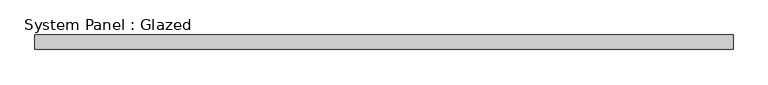
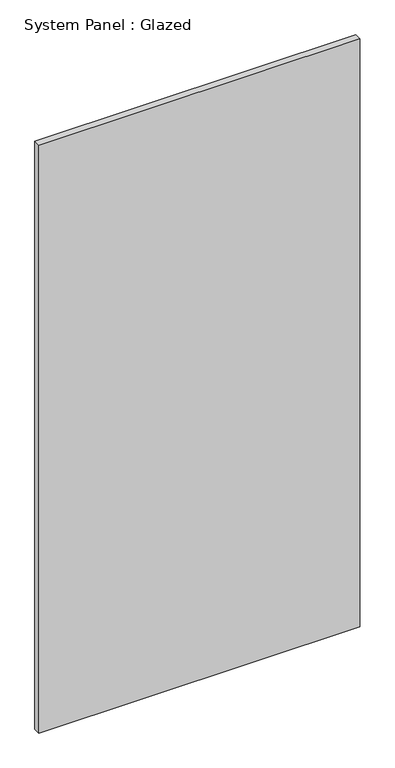
"""IFC4 building model written with IfcOpenShell, lengths in millimetres: plate geometry, System Panel : Glazed."""

from ifc_helpers import new_model, si_unit, origin, origin_with_axes, place, context, project, spatial, polyline, outline, extrude, source, transform, mapped, element, save


def system_panel_glazed_33c6e5eb(model_context):
    return source(origin(), model_context, "Body", "SweptSolid", [
        extrude(outline(polyline([(599.9999999, 24.5), (-599.9999999, 24.5), (-599.9999999, 49.5), (599.9999999, 49.5), (599.9999999, 24.5)])), origin_with_axes(), (0.0, 0.0, 1.0), 2325.0),
    ])


if __name__ == "__main__":
    model = new_model("IFC4")
    model_context = context("Model", 3, world=origin())
    ifc_project = project(units=[si_unit("LENGTHUNIT", "METRE", prefix="MILLI")], contexts=[model_context])
    site = spatial("IfcSite", under=ifc_project)
    building = spatial("IfcBuilding", under=site)
    placement = place(None, origin())
    system_panel_glazed_shape = system_panel_glazed_33c6e5eb(model_context)
    element("IfcPlate", 1, ObjectType="System Panel : Glazed", at=placement, inside=building, context=model_context, shape_type="MappedRepresentation", body=[
        mapped(system_panel_glazed_shape, transform((0.0, 0.0, 0.0), x_axis=(1.0, 0.0, 0.0), y_axis=(0.0, 1.0, 0.0), z_axis=(0.0, 0.0, 1.0))),
    ])
    save(model, "model.ifc")
